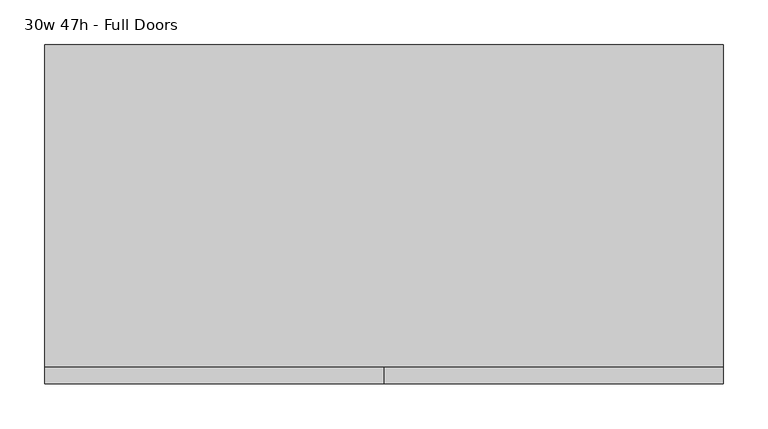
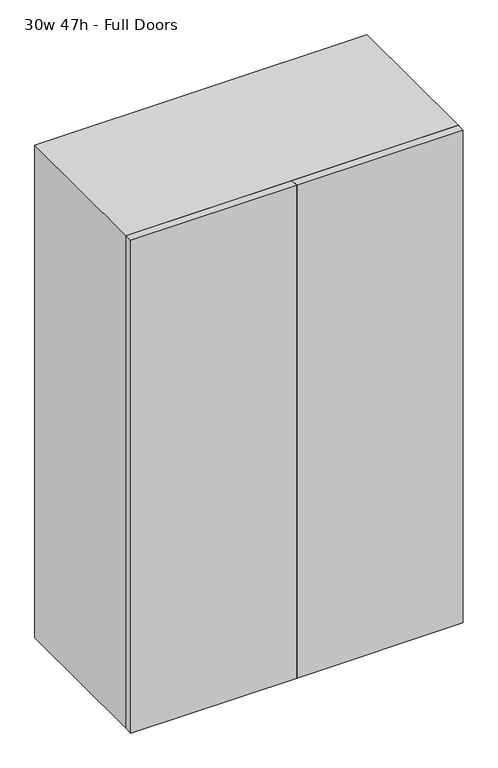
"""IFC4 building model written with IfcOpenShell, lengths in millimetres: furniture geometry, 30w 47h - Full Doors."""

from ifc_helpers import new_model, si_unit, frame, origin, place, context, project, spatial, polyline, outline, extrude, source, transform, mapped, element, save


def furniture_30w_47h_full_doors_d38c0652(model_context):
    return source(origin(), model_context, "Body", "SweptSolid", [
        extrude(outline(polyline([(361.9569453, 161.925), (361.9569453, -180.975), (-361.9291641, -180.975), (-361.9291641, 161.925), (361.9569453, 161.925)])), frame((0.0, 0.0, 1529.2916667), z_axis=(0.0, 0.0, 1.0), x_axis=(1.0, 0.0, 0.0)), (0.0, 0.0, 1.0), 19.05),
        extrude(outline(polyline([(361.9569453, 161.925), (361.9569453, -180.975), (-361.9291641, -180.975), (-361.9291641, 161.925), (361.9569453, 161.925)])), frame((0.0, 0.0, 1118.6583333), z_axis=(0.0, 0.0, 1.0), x_axis=(1.0, 0.0, 0.0)), (0.0, 0.0, 1.0), 19.05),
        extrude(outline(polyline([(0.0138906, -200.025), (0.0138906, -180.975), (381.0138906, -180.975), (381.0138906, -200.025), (0.0138906, -200.025)])), frame((0.0, 0.0, 736.6), z_axis=(0.0, 0.0, 1.0), x_axis=(1.0, 0.0, 0.0)), (0.0, 0.0, 1.0), 1193.8),
        extrude(outline(polyline([(0.0138906, -200.025), (-380.9861094, -200.025), (-380.9861094, -180.975), (0.0138906, -180.975), (0.0138906, -200.025)])), frame((0.0, 0.0, 736.6), z_axis=(0.0, 0.0, 1.0), x_axis=(1.0, 0.0, 0.0)), (0.0, 0.0, 1.0), 1193.8),
        extrude(outline(polyline([(736.6, -380.9861094), (736.6, 381.0138906), (1930.4, 381.0138906), (1930.4, -380.9861094), (736.6, -380.9861094)]), holes=[polyline([(755.65, -361.9361094), (1911.35, -361.9361094), (1911.35, 361.9569453), (755.65, 361.9569453), (755.65, -361.9361094)])]), frame((0.0, -180.975, 0.0), z_axis=(0.0, 1.0, 0.0), x_axis=(0.0, 0.0, 1.0)), (0.0, 0.0, 1.0), 361.95),
        extrude(outline(polyline([(-361.9291641, 161.925), (-361.9291641, 180.975), (361.9569453, 180.975), (361.9569453, 161.925), (-361.9291641, 161.925)])), frame((0.0, 0.0, 755.65), z_axis=(0.0, 0.0, 1.0), x_axis=(1.0, 0.0, 0.0)), (0.0, 0.0, 1.0), 1155.7),
    ])


if __name__ == "__main__":
    model = new_model("IFC4")
    model_context = context("Model", 3, world=origin())
    ifc_project = project(units=[si_unit("LENGTHUNIT", "METRE", prefix="MILLI")], contexts=[model_context])
    site = spatial("IfcSite", under=ifc_project)
    building = spatial("IfcBuilding", under=site)
    placement = place(None, origin())
    furniture_30w_47h_full_doors_shape = furniture_30w_47h_full_doors_d38c0652(model_context)
    element("IfcFurniture", 1, ObjectType="30w 47h - Full Doors", at=placement, inside=building, context=model_context, shape_type="MappedRepresentation", body=[
        mapped(furniture_30w_47h_full_doors_shape, transform((0.0, 0.0, 0.0), x_axis=(1.0, 0.0, 0.0), y_axis=(0.0, 1.0, 0.0), z_axis=(0.0, 0.0, 1.0))),
    ])
    save(model, "model.ifc")
